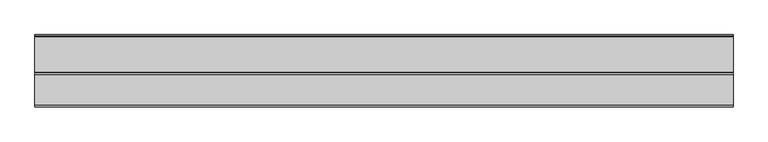
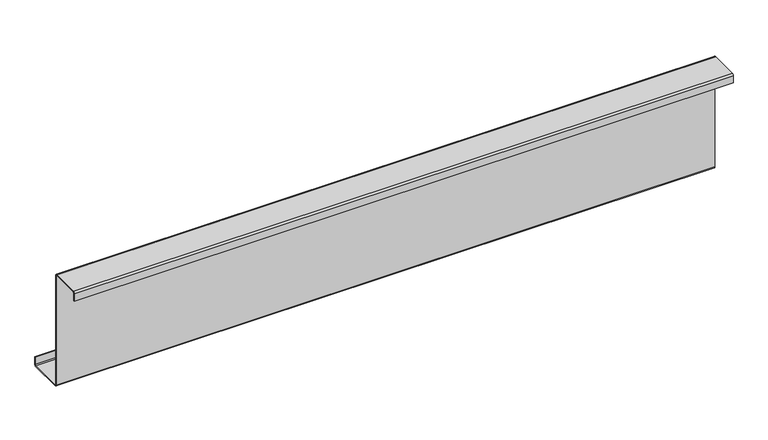
"""IFC4 building model written with IfcOpenShell, lengths in millimetres: member geometry."""

import ifcopenshell
import ifcopenshell.guid

model = None  # the IFC model being written
_history = None  # IfcOwnerHistory: only IFC2X3 demands one
_inside = {}  # id of a spatial element -> (the spatial element, [elements in it])
_under = {}  # id of a project, library or spatial element -> (it, [spatial elements below it])
_declared = {}  # id of a project -> (the project, [libraries it declares])
_typed = {}  # id of a type object -> (the type object, [elements of that type])
_made_of = {}  # id of a material, layer set ... -> (it, [elements and type objects made of it])


def new_model(schema):
    """Start an empty IFC model of exactly this schema.

    Asked for "IFC4X3", IfcOpenShell would pick the latest addendum, in which some entities
    have other attributes; the version numbers below select the first issue.
    IFC2X3 requires an IfcOwnerHistory on every rooted entity: one is made here for all.
    """
    global model, _history
    if schema == "IFC4X3":
        model = ifcopenshell.file(schema_version=(4, 3, 0, 0))
    else:
        model = ifcopenshell.file(schema=schema)
    _inside.clear()
    _under.clear()
    _declared.clear()
    _typed.clear()
    _made_of.clear()
    _history = None
    if model.schema == "IFC2X3":
        org = make("IfcOrganization", Name="unknown")
        user = make(
            "IfcPersonAndOrganization",
            ThePerson=make("IfcPerson", FamilyName="unknown"),
            TheOrganization=org,
        )
        app = make(
            "IfcApplication",
            ApplicationDeveloper=org,
            Version="unknown",
            ApplicationFullName="unknown",
            ApplicationIdentifier="unknown",
        )
        _history = make(
            "IfcOwnerHistory",
            OwningUser=user,
            OwningApplication=app,
            ChangeAction="ADDED",
            CreationDate=0,
        )
    return model


def make(cls, **values):
    """One entity of the class cls with the attributes given. An attribute that is None is left unset."""
    return model.create_entity(
        cls, **{name: value for name, value in values.items() if value is not None}
    )


def rooted(cls, **values):
    """An entity with a GlobalId (a new one), such as an element, a storey or a relation."""
    return make(cls, GlobalId=ifcopenshell.guid.new(), OwnerHistory=_history, **values)


def si_unit(unit_type, name, prefix=None):
    """IfcSIUnit, for example si_unit("LENGTHUNIT", "METRE", prefix="MILLI")."""
    return make("IfcSIUnit", UnitType=unit_type, Prefix=prefix, Name=name)


def assignment(units):
    """IfcUnitAssignment: the units of a project."""
    return None if units is None else make("IfcUnitAssignment", Units=units)


def point(xyz):
    """IfcCartesianPoint."""
    return None if xyz is None else make("IfcCartesianPoint", Coordinates=xyz)


def direction(xyz):
    """IfcDirection."""
    return None if xyz is None else make("IfcDirection", DirectionRatios=xyz)


def frame(location, z_axis=None, x_axis=None):
    """IfcAxis2Placement3D, a coordinate frame: its origin and axes. An axis left out is left unset."""
    return make(
        "IfcAxis2Placement3D",
        Location=point(location),
        Axis=direction(z_axis),
        RefDirection=direction(x_axis),
    )


def frame_2d(location, x_axis=None):
    """IfcAxis2Placement2D, a coordinate frame in the plane: its origin and x axis."""
    return make(
        "IfcAxis2Placement2D", Location=point(location), RefDirection=direction(x_axis)
    )


def origin():
    """The frame at (0, 0, 0) with its axes left unset."""
    return frame((0.0, 0.0, 0.0))


def place(relative_to, where):
    """IfcLocalPlacement: puts the frame where relative to a parent placement (None: the world)."""
    return make(
        "IfcLocalPlacement", PlacementRelTo=relative_to, RelativePlacement=where
    )


def context(
    kind, dimensions, precision=None, world=None, true_north=None, identifier=None
):
    """IfcGeometricRepresentationContext, for example the 3D "Model" context."""
    return make(
        "IfcGeometricRepresentationContext",
        ContextIdentifier=identifier,
        ContextType=kind,
        CoordinateSpaceDimension=dimensions,
        Precision=precision,
        WorldCoordinateSystem=world,
        TrueNorth=true_north,
    )


def project(units=None, contexts=None):
    """IfcProject with its units and contexts."""
    return rooted(
        "IfcProject",
        Name="project",
        RepresentationContexts=contexts,
        UnitsInContext=assignment(units),
    )


def spatial(cls, under=None, at=None, **own):
    """A site, building, storey or space (cls), placed at a placement, below another one or the project."""
    s = rooted(cls, ObjectPlacement=at, **own)
    if under is not None:
        _under.setdefault(under.id(), (under, []))[1].append(s)
    return s


def polyline(points):
    """IfcPolyline through the points."""
    return make("IfcPolyline", Points=[point(p) for p in points])


def circle_curve(where, radius):
    """IfcCircle in the frame where."""
    return make("IfcCircle", Position=where, Radius=radius)


def trimmed(basis, trim1, trim2, sense, master):
    """IfcTrimmedCurve: the piece of a basis curve between two trims."""
    return make(
        "IfcTrimmedCurve",
        BasisCurve=basis,
        Trim1=trim1,
        Trim2=trim2,
        SenseAgreement=sense,
        MasterRepresentation=master,
    )


def segment(curve, same_sense, transition):
    """IfcCompositeCurveSegment."""
    return make(
        "IfcCompositeCurveSegment",
        Transition=transition,
        SameSense=same_sense,
        ParentCurve=curve,
    )


def composite_curve(segments, self_intersect=None):
    """IfcCompositeCurve: segments joined end to end."""
    return make("IfcCompositeCurve", Segments=segments, SelfIntersect=self_intersect)


def outline(outer, holes=None, kind="AREA"):
    """IfcArbitraryClosedProfileDef: a profile drawn as a closed curve; with holes, ...WithVoids."""
    if holes is None:
        return make("IfcArbitraryClosedProfileDef", ProfileType=kind, OuterCurve=outer)
    return make(
        "IfcArbitraryProfileDefWithVoids",
        ProfileType=kind,
        OuterCurve=outer,
        InnerCurves=holes,
    )


def extrude(swept, where, along, depth):
    """IfcExtrudedAreaSolid: the profile swept, set in the frame where, extruded along a direction by depth."""
    return make(
        "IfcExtrudedAreaSolid",
        SweptArea=swept,
        Position=where,
        ExtrudedDirection=direction(along),
        Depth=depth,
    )


def shape(context_of_items, identifier, shape_type, items):
    """IfcShapeRepresentation: the items that make up one representation, for example the "Body"."""
    return make(
        "IfcShapeRepresentation",
        ContextOfItems=context_of_items,
        RepresentationIdentifier=identifier,
        RepresentationType=shape_type,
        Items=items,
    )


def source(mapping_origin, context_of_items, identifier, shape_type, items):
    """IfcRepresentationMap: a shape defined once, which mapped items show again and again."""
    return make(
        "IfcRepresentationMap",
        MappingOrigin=mapping_origin,
        MappedRepresentation=shape(context_of_items, identifier, shape_type, items),
    )


def transform(
    local_origin,
    x_axis=None,
    y_axis=None,
    z_axis=None,
    scale=None,
    scale2=None,
    scale3=None,
    uniform=True,
):
    """IfcCartesianTransformationOperator3D, or its non-uniform kind. x_axis, y_axis, z_axis: its Axis1, 2, 3."""
    if uniform:
        return make(
            "IfcCartesianTransformationOperator3D",
            Axis1=direction(x_axis),
            Axis2=direction(y_axis),
            LocalOrigin=point(local_origin),
            Scale=scale,
            Axis3=direction(z_axis),
        )
    return make(
        "IfcCartesianTransformationOperator3DnonUniform",
        Axis1=direction(x_axis),
        Axis2=direction(y_axis),
        LocalOrigin=point(local_origin),
        Scale=scale,
        Axis3=direction(z_axis),
        Scale2=scale2,
        Scale3=scale3,
    )


def mapped(mapping_source, mapping_target):
    """IfcMappedItem: shows the shape of a source again, moved by a transform."""
    return make(
        "IfcMappedItem", MappingSource=mapping_source, MappingTarget=mapping_target
    )


def made_of(thing, what):
    """Note that an element or type object is made of a material, layer set ...; save() writes the relation."""
    if what is not None:
        _made_of.setdefault(what.id(), (what, []))[1].append(thing)
    return thing


def element(
    cls,
    number,
    at=None,
    inside=None,
    cuts=None,
    type_object=None,
    material=None,
    context=None,
    identifier="Body",
    shape_type=None,
    held_by="IfcProductDefinitionShape",
    body=None,
    shapes=None,
    **own,
):
    """One element of the class cls, such as IfcWall. Its Tag is "e" and its number.

    at: its placement. inside: the storey or other place that contains it. cuts: it is an
    opening in that element (IfcRelVoidsElement). A single representation is given by context,
    identifier, shape_type and body (its items); several are given by shapes. held_by: the class
    of the entity that holds the representations. save() writes the other relations.
    """
    e = rooted(cls, Tag="e%d" % number, ObjectPlacement=at, **own)
    if body is not None:
        shapes = [shape(context, identifier, shape_type, body)]
    if shapes is not None:
        e.Representation = make(held_by, Representations=shapes)
    if inside is not None:
        _inside.setdefault(inside.id(), (inside, []))[1].append(e)
    if cuts is not None:
        rooted(
            "IfcRelVoidsElement", RelatingBuildingElement=cuts, RelatedOpeningElement=e
        )
    if type_object is not None:
        _typed.setdefault(type_object.id(), (type_object, []))[1].append(e)
    return made_of(e, material)


def aggregate(whole, parts):
    """IfcRelAggregates: a whole, such as a stair, and the parts it consists of."""
    return rooted("IfcRelAggregates", RelatingObject=whole, RelatedObjects=parts)


def save(model, path):
    """Write the relations noted so far, then the file.

    IfcRelAggregates (storeys below a building ...), IfcRelContainedInSpatialStructure (elements
    in a storey), IfcRelDefinesByType, IfcRelAssociatesMaterial and IfcRelDeclares: one each for
    every whole, place, type object, material and project.
    """
    for whole, parts in _under.values():
        aggregate(whole, parts)
    for where, things in _inside.values():
        rooted(
            "IfcRelContainedInSpatialStructure",
            RelatedElements=things,
            RelatingStructure=where,
        )
    for kind, things in _typed.values():
        rooted("IfcRelDefinesByType", RelatedObjects=things, RelatingType=kind)
    for what, things in _made_of.values():
        rooted("IfcRelAssociatesMaterial", RelatedObjects=things, RelatingMaterial=what)
    for by, libraries in _declared.values():
        rooted("IfcRelDeclares", RelatingContext=by, RelatedDefinitions=libraries)
    model.write(path)


def member_0addc271(model_context):
    return source(origin(), model_context, "Body", "SweptSolid", [
        extrude(outline(composite_curve([segment(polyline([(0.0, -123.5), (0.0, 123.5)]), True, "CONTINUOUS"), segment(trimmed(circle_curve(frame_2d((-2.0, 123.5)), 2.0), [point((0.0, 123.5))], [point((-2.0, 125.5))], True, "CARTESIAN"), True, "CONTINUOUS"), segment(polyline([(-2.0, 125.5), (-63.5, 125.5)]), True, "CONTINUOUS"), segment(trimmed(circle_curve(frame_2d((-63.5, 123.5)), 2.0), [point((-63.5, 125.5))], [point((-65.5, 123.5))], True, "CARTESIAN"), True, "CONTINUOUS"), segment(polyline([(-65.5, 123.5), (-65.5, 107.0), (-67.0, 107.0), (-67.0, 123.5)]), True, "CONTINUOUS"), segment(trimmed(circle_curve(frame_2d((-63.5, 123.5)), 3.5), [point((-67.0, 123.5))], [point((-63.5, 127.0))], False, "CARTESIAN"), True, "CONTINUOUS"), segment(polyline([(-63.5, 127.0), (-2.0, 127.0)]), True, "CONTINUOUS"), segment(trimmed(circle_curve(frame_2d((-2.0, 123.5)), 3.5), [point((-2.0, 127.0))], [point((1.5, 123.5))], False, "CARTESIAN"), True, "CONTINUOUS"), segment(polyline([(1.5, 123.5), (1.5, -123.5)]), True, "CONTINUOUS"), segment(trimmed(circle_curve(frame_2d((3.5, -123.5)), 2.0), [point((1.5, -123.5))], [point((3.5, -125.5))], True, "CARTESIAN"), True, "CONTINUOUS"), segment(polyline([(3.5, -125.5), (75.0, -125.5)]), True, "CONTINUOUS"), segment(trimmed(circle_curve(frame_2d((75.0, -123.5)), 2.0), [point((75.0, -125.5))], [point((77.0, -123.5))], True, "CARTESIAN"), True, "CONTINUOUS"), segment(polyline([(77.0, -123.5), (77.0, -107.5), (78.5, -107.5), (78.5, -123.5)]), True, "CONTINUOUS"), segment(trimmed(circle_curve(frame_2d((75.0, -123.5)), 3.5), [point((78.5, -123.5))], [point((75.0, -127.0))], False, "CARTESIAN"), True, "CONTINUOUS"), segment(polyline([(75.0, -127.0), (3.5, -127.0)]), True, "CONTINUOUS"), segment(trimmed(circle_curve(frame_2d((3.5, -123.5)), 3.5), [point((3.5, -127.0))], [point((0.0, -123.5))], False, "CARTESIAN"), True, "CONTINUOUS")], self_intersect=False)), frame((-703.5, 0.0, 0.0), z_axis=(1.0, 0.0, 0.0), x_axis=(0.0, 1.0, 0.0)), (0.0, 0.0, 1.0), 1407.0),
    ])


if __name__ == "__main__":
    model = new_model("IFC4")
    model_context = context("Model", 3, world=origin())
    ifc_project = project(units=[si_unit("LENGTHUNIT", "METRE", prefix="MILLI")], contexts=[model_context])
    site = spatial("IfcSite", under=ifc_project)
    building = spatial("IfcBuilding", under=site)
    placement = place(None, origin())
    member_shape = member_0addc271(model_context)
    element("IfcMember", 1, at=placement, inside=building, context=model_context, shape_type="MappedRepresentation", body=[
        mapped(member_shape, transform((0.0, 0.0, 0.0), x_axis=(1.0, 0.0, 0.0), y_axis=(0.0, 1.0, 0.0), z_axis=(0.0, 0.0, 1.0))),
    ])
    save(model, "model.ifc")
